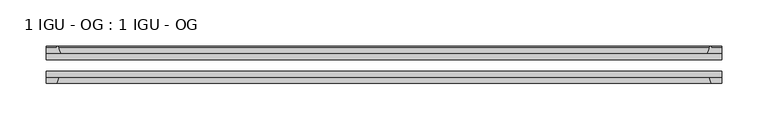
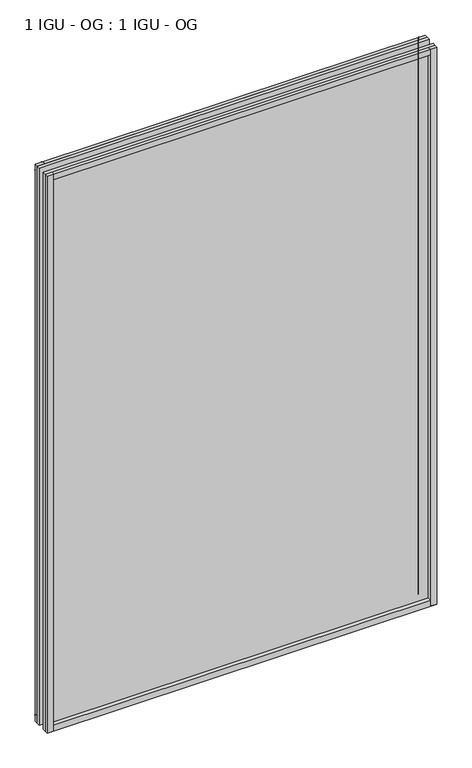
"""IFC4 building model written with IfcOpenShell, lengths in millimetres: plate geometry, 1 IGU - OG : 1 IGU - OG."""

from ifc_helpers import new_model, si_unit, point, frame, frame_2d, origin, place, context, project, spatial, polyline, circle_curve, trimmed, segment, composite_curve, outline, extrude, source, transform, mapped, element, save


def plate_1_igu_og_1_igu_og_a1932ba1(model_context):
    return source(origin(), model_context, "Body", "SweptSolid", [
        extrude(outline(polyline([(345.595062, -31.75), (345.595062, -38.1), (-383.695062, -38.1), (-383.695062, -31.75), (345.595062, -31.75)])), frame((0.0, 0.0, -11.1125), z_axis=(0.0, 0.0, 1.0), x_axis=(1.0, 0.0, 0.0)), (0.0, 0.0, 1.0), 1101.725),
        extrude(outline(polyline([(-383.695062, -12.7), (345.595062, -12.7), (345.595062, -19.05), (-383.695062, -19.05), (-383.695062, -12.7)])), frame((0.0, 0.0, -11.1125), z_axis=(0.0, 0.0, 1.0), x_axis=(1.0, 0.0, 0.0)), (0.0, 0.0, 1.0), 1101.725),
        extrude(outline(composite_curve([segment(polyline([(-368.3592711, -12.7), (-383.695062, -12.7), (-383.695062, -6.35), (-372.582562, -6.35), (-372.582562, -4.7751661), (-371.6531481, -4.7751661)]), True, "CONTINUOUS"), segment(trimmed(circle_curve(frame_2d((-371.6531481, -5.5371661)), 0.762), [point((-371.6531481, -4.7751661))], [point((-370.9109381, -5.364631))], False, "CARTESIAN"), True, "CONTINUOUS"), segment(trimmed(circle_curve(frame_2d((-335.2817199, 2.9177851)), 36.5792237), [point((-370.9109381, -5.364631))], [point((-368.3592711, -12.7))], True, "CARTESIAN"), True, "CONTINUOUS")], self_intersect=False)), frame((0.0, 0.0, -11.1125), z_axis=(0.0, 0.0, 1.0), x_axis=(1.0, 0.0, 0.0)), (0.0, 0.0, 1.0), 1101.725),
        extrude(outline(polyline([(-383.695062, -38.1), (-370.477285, -38.1), (-372.582562, -44.45), (-383.695062, -44.45), (-383.695062, -38.1)])), frame((0.0, 0.0, -11.1125), z_axis=(0.0, 0.0, 1.0), x_axis=(1.0, 0.0, 0.0)), (0.0, 0.0, 1.0), 1101.725),
        extrude(outline(composite_curve([segment(trimmed(circle_curve(frame_2d((333.5531481, -5.5371661)), 0.762), [point((332.8109381, -5.364631))], [point((333.5531481, -4.7751661))], False, "CARTESIAN"), True, "CONTINUOUS"), segment(polyline([(333.5531481, -4.7751661), (334.482562, -4.7751661), (334.482562, -6.35), (345.595062, -6.35), (345.595062, -12.7), (330.2592711, -12.7)]), True, "CONTINUOUS"), segment(trimmed(circle_curve(frame_2d((297.1817199, 2.9177851)), 36.5792237), [point((330.2592711, -12.7))], [point((332.8109381, -5.364631))], True, "CARTESIAN"), True, "CONTINUOUS")], self_intersect=False)), frame((0.0, 0.0, -11.1125), z_axis=(0.0, 0.0, 1.0), x_axis=(1.0, 0.0, 0.0)), (0.0, 0.0, 1.0), 1101.725),
        extrude(outline(polyline([(332.377285, -38.1), (345.595062, -38.1), (345.595062, -44.45), (334.482562, -44.45), (332.377285, -38.1)])), frame((0.0, 0.0, -11.1125), z_axis=(0.0, 0.0, 1.0), x_axis=(1.0, 0.0, 0.0)), (0.0, 0.0, 1.0), 1101.725),
        extrude(outline(composite_curve([segment(polyline([(-12.7, -11.1125), (-12.7, 4.2232909)]), True, "CONTINUOUS"), segment(trimmed(circle_curve(frame_2d((2.9177851, 37.3008421)), 36.5792237), [point((-12.7, 4.2232909))], [point((-5.364631, 1.6716239))], True, "CARTESIAN"), True, "CONTINUOUS"), segment(trimmed(circle_curve(frame_2d((-5.5371661, 0.929414)), 0.762), [point((-5.364631, 1.6716239))], [point((-4.7751661, 0.929414))], False, "CARTESIAN"), True, "CONTINUOUS"), segment(polyline([(-4.7751661, 0.929414), (-4.7751661, 0.0), (-6.35, 0.0), (-6.35, -11.1125), (-12.7, -11.1125)]), True, "CONTINUOUS")], self_intersect=False)), frame((-383.695062, 0.0, 0.0), z_axis=(1.0, 0.0, 0.0), x_axis=(0.0, 1.0, 0.0)), (0.0, 0.0, 1.0), 729.2901241),
        extrude(outline(polyline([(-38.1, 2.1052771), (-38.1, -11.1125), (-44.45, -11.1125), (-44.45, 0.0), (-38.1, 2.1052771)])), frame((-383.695062, 0.0, 0.0), z_axis=(1.0, 0.0, 0.0), x_axis=(0.0, 1.0, 0.0)), (0.0, 0.0, 1.0), 729.2901241),
        extrude(outline(composite_curve([segment(trimmed(circle_curve(frame_2d((2.9177851, 1042.1991578)), 36.5792237), [point((-5.364631, 1077.8283761))], [point((-12.7, 1075.2767091))], True, "CARTESIAN"), True, "CONTINUOUS"), segment(polyline([(-12.7, 1075.2767091), (-12.7, 1090.6125), (-6.35, 1090.6125), (-6.35, 1079.5), (-4.7751661, 1079.5), (-4.7751661, 1078.570586)]), True, "CONTINUOUS"), segment(trimmed(circle_curve(frame_2d((-5.5371661, 1078.570586)), 0.762), [point((-4.7751661, 1078.570586))], [point((-5.364631, 1077.8283761))], False, "CARTESIAN"), True, "CONTINUOUS")], self_intersect=False)), frame((-383.695062, 0.0, 0.0), z_axis=(1.0, 0.0, 0.0), x_axis=(0.0, 1.0, 0.0)), (0.0, 0.0, 1.0), 729.2901241),
        extrude(outline(polyline([(-38.1, 1090.6125), (-38.1, 1077.3947229), (-44.45, 1079.5), (-44.45, 1090.6125), (-38.1, 1090.6125)])), frame((-383.695062, 0.0, 0.0), z_axis=(1.0, 0.0, 0.0), x_axis=(0.0, 1.0, 0.0)), (0.0, 0.0, 1.0), 729.2901241),
    ])


if __name__ == "__main__":
    model = new_model("IFC4")
    model_context = context("Model", 3, world=origin())
    ifc_project = project(units=[si_unit("LENGTHUNIT", "METRE", prefix="MILLI")], contexts=[model_context])
    site = spatial("IfcSite", under=ifc_project)
    building = spatial("IfcBuilding", under=site)
    placement = place(None, origin())
    plate_1_igu_og_1_igu_og_shape = plate_1_igu_og_1_igu_og_a1932ba1(model_context)
    element("IfcPlate", 1, ObjectType="1 IGU - OG : 1 IGU - OG", at=placement, inside=building, context=model_context, shape_type="MappedRepresentation", body=[
        mapped(plate_1_igu_og_1_igu_og_shape, transform((0.0, 0.0, 0.0), x_axis=(1.0, 0.0, 0.0), y_axis=(0.0, 1.0, 0.0), z_axis=(0.0, 0.0, 1.0))),
    ])
    save(model, "model.ifc")
